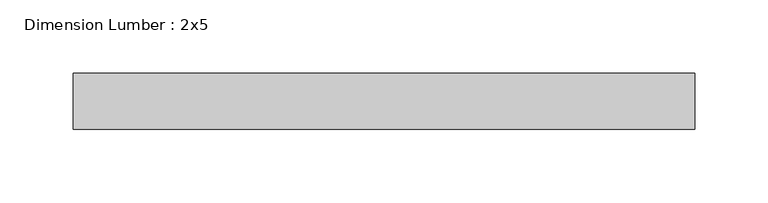
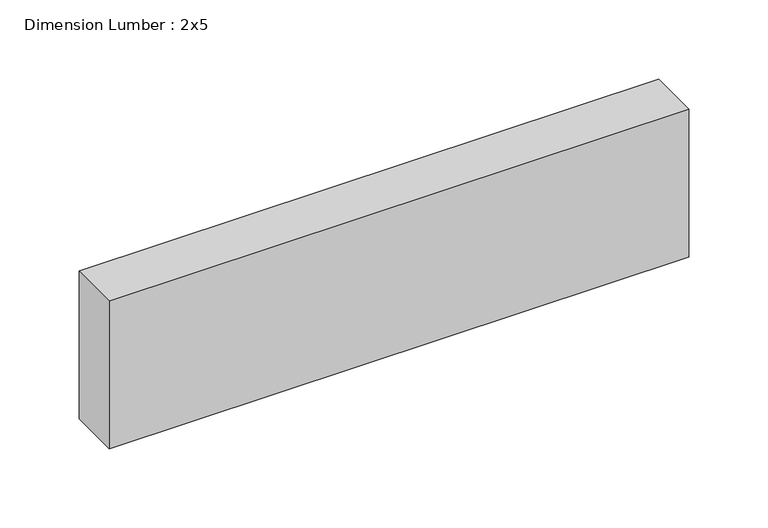
"""IFC4 building model written with IfcOpenShell, lengths in millimetres: beam geometry, Dimension Lumber : 2x5."""

import ifcopenshell
import ifcopenshell.guid

model = None  # the IFC model being written
_history = None  # IfcOwnerHistory: only IFC2X3 demands one
_inside = {}  # id of a spatial element -> (the spatial element, [elements in it])
_under = {}  # id of a project, library or spatial element -> (it, [spatial elements below it])
_declared = {}  # id of a project -> (the project, [libraries it declares])
_typed = {}  # id of a type object -> (the type object, [elements of that type])
_made_of = {}  # id of a material, layer set ... -> (it, [elements and type objects made of it])


def new_model(schema):
    """Start an empty IFC model of exactly this schema.

    Asked for "IFC4X3", IfcOpenShell would pick the latest addendum, in which some entities
    have other attributes; the version numbers below select the first issue.
    IFC2X3 requires an IfcOwnerHistory on every rooted entity: one is made here for all.
    """
    global model, _history
    if schema == "IFC4X3":
        model = ifcopenshell.file(schema_version=(4, 3, 0, 0))
    else:
        model = ifcopenshell.file(schema=schema)
    _inside.clear()
    _under.clear()
    _declared.clear()
    _typed.clear()
    _made_of.clear()
    _history = None
    if model.schema == "IFC2X3":
        org = make("IfcOrganization", Name="unknown")
        user = make(
            "IfcPersonAndOrganization",
            ThePerson=make("IfcPerson", FamilyName="unknown"),
            TheOrganization=org,
        )
        app = make(
            "IfcApplication",
            ApplicationDeveloper=org,
            Version="unknown",
            ApplicationFullName="unknown",
            ApplicationIdentifier="unknown",
        )
        _history = make(
            "IfcOwnerHistory",
            OwningUser=user,
            OwningApplication=app,
            ChangeAction="ADDED",
            CreationDate=0,
        )
    return model


def make(cls, **values):
    """One entity of the class cls with the attributes given. An attribute that is None is left unset."""
    return model.create_entity(
        cls, **{name: value for name, value in values.items() if value is not None}
    )


def rooted(cls, **values):
    """An entity with a GlobalId (a new one), such as an element, a storey or a relation."""
    return make(cls, GlobalId=ifcopenshell.guid.new(), OwnerHistory=_history, **values)


def si_unit(unit_type, name, prefix=None):
    """IfcSIUnit, for example si_unit("LENGTHUNIT", "METRE", prefix="MILLI")."""
    return make("IfcSIUnit", UnitType=unit_type, Prefix=prefix, Name=name)


def assignment(units):
    """IfcUnitAssignment: the units of a project."""
    return None if units is None else make("IfcUnitAssignment", Units=units)


def point(xyz):
    """IfcCartesianPoint."""
    return None if xyz is None else make("IfcCartesianPoint", Coordinates=xyz)


def direction(xyz):
    """IfcDirection."""
    return None if xyz is None else make("IfcDirection", DirectionRatios=xyz)


def frame(location, z_axis=None, x_axis=None):
    """IfcAxis2Placement3D, a coordinate frame: its origin and axes. An axis left out is left unset."""
    return make(
        "IfcAxis2Placement3D",
        Location=point(location),
        Axis=direction(z_axis),
        RefDirection=direction(x_axis),
    )


def origin():
    """The frame at (0, 0, 0) with its axes left unset."""
    return frame((0.0, 0.0, 0.0))


def place(relative_to, where):
    """IfcLocalPlacement: puts the frame where relative to a parent placement (None: the world)."""
    return make(
        "IfcLocalPlacement", PlacementRelTo=relative_to, RelativePlacement=where
    )


def context(
    kind, dimensions, precision=None, world=None, true_north=None, identifier=None
):
    """IfcGeometricRepresentationContext, for example the 3D "Model" context."""
    return make(
        "IfcGeometricRepresentationContext",
        ContextIdentifier=identifier,
        ContextType=kind,
        CoordinateSpaceDimension=dimensions,
        Precision=precision,
        WorldCoordinateSystem=world,
        TrueNorth=true_north,
    )


def project(units=None, contexts=None):
    """IfcProject with its units and contexts."""
    return rooted(
        "IfcProject",
        Name="project",
        RepresentationContexts=contexts,
        UnitsInContext=assignment(units),
    )


def spatial(cls, under=None, at=None, **own):
    """A site, building, storey or space (cls), placed at a placement, below another one or the project."""
    s = rooted(cls, ObjectPlacement=at, **own)
    if under is not None:
        _under.setdefault(under.id(), (under, []))[1].append(s)
    return s


def polyline(points):
    """IfcPolyline through the points."""
    return make("IfcPolyline", Points=[point(p) for p in points])


def outline(outer, holes=None, kind="AREA"):
    """IfcArbitraryClosedProfileDef: a profile drawn as a closed curve; with holes, ...WithVoids."""
    if holes is None:
        return make("IfcArbitraryClosedProfileDef", ProfileType=kind, OuterCurve=outer)
    return make(
        "IfcArbitraryProfileDefWithVoids",
        ProfileType=kind,
        OuterCurve=outer,
        InnerCurves=holes,
    )


def extrude(swept, where, along, depth):
    """IfcExtrudedAreaSolid: the profile swept, set in the frame where, extruded along a direction by depth."""
    return make(
        "IfcExtrudedAreaSolid",
        SweptArea=swept,
        Position=where,
        ExtrudedDirection=direction(along),
        Depth=depth,
    )


def shape(context_of_items, identifier, shape_type, items):
    """IfcShapeRepresentation: the items that make up one representation, for example the "Body"."""
    return make(
        "IfcShapeRepresentation",
        ContextOfItems=context_of_items,
        RepresentationIdentifier=identifier,
        RepresentationType=shape_type,
        Items=items,
    )


def source(mapping_origin, context_of_items, identifier, shape_type, items):
    """IfcRepresentationMap: a shape defined once, which mapped items show again and again."""
    return make(
        "IfcRepresentationMap",
        MappingOrigin=mapping_origin,
        MappedRepresentation=shape(context_of_items, identifier, shape_type, items),
    )


def transform(
    local_origin,
    x_axis=None,
    y_axis=None,
    z_axis=None,
    scale=None,
    scale2=None,
    scale3=None,
    uniform=True,
):
    """IfcCartesianTransformationOperator3D, or its non-uniform kind. x_axis, y_axis, z_axis: its Axis1, 2, 3."""
    if uniform:
        return make(
            "IfcCartesianTransformationOperator3D",
            Axis1=direction(x_axis),
            Axis2=direction(y_axis),
            LocalOrigin=point(local_origin),
            Scale=scale,
            Axis3=direction(z_axis),
        )
    return make(
        "IfcCartesianTransformationOperator3DnonUniform",
        Axis1=direction(x_axis),
        Axis2=direction(y_axis),
        LocalOrigin=point(local_origin),
        Scale=scale,
        Axis3=direction(z_axis),
        Scale2=scale2,
        Scale3=scale3,
    )


def mapped(mapping_source, mapping_target):
    """IfcMappedItem: shows the shape of a source again, moved by a transform."""
    return make(
        "IfcMappedItem", MappingSource=mapping_source, MappingTarget=mapping_target
    )


def made_of(thing, what):
    """Note that an element or type object is made of a material, layer set ...; save() writes the relation."""
    if what is not None:
        _made_of.setdefault(what.id(), (what, []))[1].append(thing)
    return thing


def element(
    cls,
    number,
    at=None,
    inside=None,
    cuts=None,
    type_object=None,
    material=None,
    context=None,
    identifier="Body",
    shape_type=None,
    held_by="IfcProductDefinitionShape",
    body=None,
    shapes=None,
    **own,
):
    """One element of the class cls, such as IfcWall. Its Tag is "e" and its number.

    at: its placement. inside: the storey or other place that contains it. cuts: it is an
    opening in that element (IfcRelVoidsElement). A single representation is given by context,
    identifier, shape_type and body (its items); several are given by shapes. held_by: the class
    of the entity that holds the representations. save() writes the other relations.
    """
    e = rooted(cls, Tag="e%d" % number, ObjectPlacement=at, **own)
    if body is not None:
        shapes = [shape(context, identifier, shape_type, body)]
    if shapes is not None:
        e.Representation = make(held_by, Representations=shapes)
    if inside is not None:
        _inside.setdefault(inside.id(), (inside, []))[1].append(e)
    if cuts is not None:
        rooted(
            "IfcRelVoidsElement", RelatingBuildingElement=cuts, RelatedOpeningElement=e
        )
    if type_object is not None:
        _typed.setdefault(type_object.id(), (type_object, []))[1].append(e)
    return made_of(e, material)


def aggregate(whole, parts):
    """IfcRelAggregates: a whole, such as a stair, and the parts it consists of."""
    return rooted("IfcRelAggregates", RelatingObject=whole, RelatedObjects=parts)


def save(model, path):
    """Write the relations noted so far, then the file.

    IfcRelAggregates (storeys below a building ...), IfcRelContainedInSpatialStructure (elements
    in a storey), IfcRelDefinesByType, IfcRelAssociatesMaterial and IfcRelDeclares: one each for
    every whole, place, type object, material and project.
    """
    for whole, parts in _under.values():
        aggregate(whole, parts)
    for where, things in _inside.values():
        rooted(
            "IfcRelContainedInSpatialStructure",
            RelatedElements=things,
            RelatingStructure=where,
        )
    for kind, things in _typed.values():
        rooted("IfcRelDefinesByType", RelatedObjects=things, RelatingType=kind)
    for what, things in _made_of.values():
        rooted("IfcRelAssociatesMaterial", RelatedObjects=things, RelatingMaterial=what)
    for by, libraries in _declared.values():
        rooted("IfcRelDeclares", RelatingContext=by, RelatedDefinitions=libraries)
    model.write(path)


def dimension_lumber_2x5_1cfe0e13(model_context):
    return source(origin(), model_context, "Body", "SweptSolid", [
        extrude(outline(polyline([(212.8382713, 19.05), (212.8382713, -19.05), (-209.7741847, -19.05), (-209.7741847, 19.05), (212.8382713, 19.05)])), frame((0.0, 0.0, -57.15), z_axis=(0.0, 0.0, 1.0), x_axis=(1.0, 0.0, 0.0)), (0.0, 0.0, 1.0), 114.3),
    ])


if __name__ == "__main__":
    model = new_model("IFC4")
    model_context = context("Model", 3, world=origin())
    ifc_project = project(units=[si_unit("LENGTHUNIT", "METRE", prefix="MILLI")], contexts=[model_context])
    site = spatial("IfcSite", under=ifc_project)
    building = spatial("IfcBuilding", under=site)
    placement = place(None, origin())
    dimension_lumber_2x5_shape = dimension_lumber_2x5_1cfe0e13(model_context)
    element("IfcBeam", 1, ObjectType="Dimension Lumber : 2x5", at=placement, inside=building, context=model_context, shape_type="MappedRepresentation", body=[
        mapped(dimension_lumber_2x5_shape, transform((0.0, 0.0, 0.0), x_axis=(1.0, 0.0, 0.0), y_axis=(0.0, 1.0, 0.0), z_axis=(0.0, 0.0, 1.0))),
    ])
    save(model, "model.ifc")
